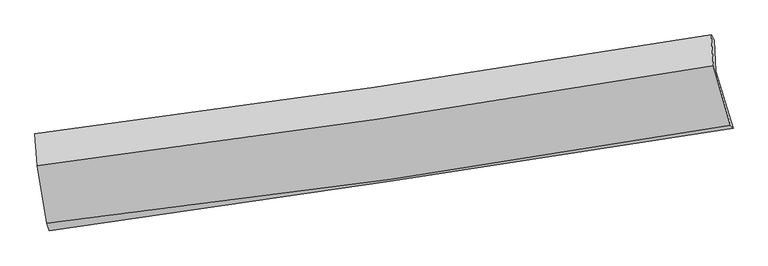
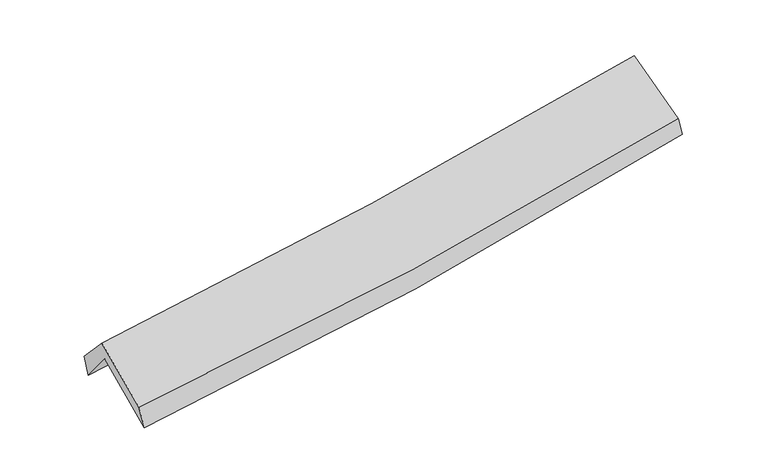
"""IFC4 building model written with IfcOpenShell, lengths in millimetres: proxy geometry."""

from ifc_helpers import new_model, si_unit, frame, origin, place, context, project, spatial, source, transform, mapped, element, save
from ifc_brep_helpers import plane_surface, spline_curve, spline_surface, advanced_brep


def generic_models_c04b226f(model_context):
    return source(origin(), model_context, "Body", "AdvancedBrep", [
        advanced_brep(
        [(-2793.7645477, -2513.5874556, 1477.1305314), (-2883.438895, -1999.693616, 1906.6779144), (2810.2501232, -1172.0068698, 2407.5810034), (2954.0887097, -1653.3367201, 1973.1504179), (-2897.8874222, -1744.9539804, 1587.7026188), (2794.6330026, -912.7918825, 2099.2187236), (-2913.4084401, -1700.3692216, 1762.2024451), (2769.891926, -868.3747841, 2239.867138), (-2895.6643309, -1969.0881679, 2054.3141785), (2788.7994424, -1128.8150965, 2521.4811398), (-2811.9212855, -2450.859648, 1657.3954564), (2931.9148247, -1626.915819, 2122.2031241)],
        [
            (0, 1),
            (1, 2, spline_curve(3, [(-2883.438895, -1999.693616, 1906.6779144), (-1928.506994492, -1862.20827952, 1945.277456029), (-975.451945498, -1724.328055416, 2006.470813443), (922.426764637, -1448.42876426, 2173.650730357), (1867.268055262, -1310.413406359, 2279.42506929), (2810.2501232, -1172.0068698, 2407.5810034)], [4, 2, 4], [0.0, 9.54735894502306, 19.049773574362504])),
            (2, 3),
            (3, 0, spline_curve(3, [(2954.0887097, -1653.3367201, 1973.1504179), (2004.623564901, -1804.269601573, 1837.910625316), (1052.040674614, -1951.263784761, 1728.991016086), (-863.88084886, -2238.051376588, 1563.401487933), (-1827.249044398, -2377.807438141, 1506.981134889), (-2793.7645477, -2513.5874556, 1477.1305314)], [4, 2, 4], [0.0, 9.502414629339444, 19.049773574362504])),
            (1, 4),
            (4, 5, spline_curve(3, [(-2897.8874222, -1744.9539804, 1587.7026188), (-1941.828659217, -1611.351193468, 1623.250725316), (-988.309351401, -1475.032956524, 1683.810560889), (909.173603848, -1197.620084757, 1854.550860664), (1853.16110443, -1056.55095574, 1964.496393637), (2794.6330026, -912.7918825, 2099.2187236)], [4, 2, 4], [0.0, 9.500054709396263, 18.95538778840978])),
            (5, 2),
            (4, 6),
            (6, 7, spline_curve(3, [(-2913.4084401, -1700.3692216, 1762.2024451), (-1959.506943177, -1577.89700288, 1815.583628533), (-1007.835691421, -1447.144957047, 1882.204688417), (886.576815407, -1169.735706689, 2041.550612798), (1829.33901917, -1023.156272986, 2134.15111753), (2769.891926, -868.3747841, 2239.867138)], [4, 2, 4], [0.0, 9.489457262413156, 18.934242782062267])),
            (7, 5),
            (6, 8),
            (8, 9, spline_curve(3, [(-2895.6643309, -1969.0881679, 2054.3141785), (-1941.436670502, -1847.860353594, 2109.419775286), (-989.505313278, -1717.035897207, 2176.022063254), (905.294375582, -1436.854733133, 2331.85237059), (1848.184276254, -1287.588166059, 2420.972403016), (2788.7994424, -1128.8150965, 2521.4811398)], [4, 2, 4], [0.0, 9.47983191155655, 18.91503739181267])),
            (9, 7),
            (8, 10),
            (10, 11, spline_curve(3, [(-2811.9212855, -2450.859648, 1657.3954564), (-1844.985047376, -2341.906420567, 1699.324478778), (-881.743324328, -2218.571976527, 1759.156487133), (1032.834010041, -1943.788952529, 1914.260536578), (1984.204324122, -1792.475453782, 2009.364417665), (2931.9148247, -1626.915819, 2122.2031241)], [4, 2, 4], [0.0, 9.527895310466839, 19.010937930561404])),
            (11, 9),
            (10, 0),
            (3, 11),
        ],
        [
            spline_surface(3, 3, [[(-2793.7645477, -2513.5874556, 1477.1305314), (-1827.249044467, -2377.807438259, 1506.981134863), (-863.880848906, -2238.051376473, 1563.401487885), (1052.04067466, -1951.263784875, 1728.991016134), (2004.623564893, -1804.269601459, 1837.910625266), (2954.0887097, -1653.3367201, 1973.1504179)], [(-2823.655996802, -2342.289509082, 1620.312992398), (-1861.001694453, -2205.941052013, 1653.079908597), (-901.07121448, -2066.810269469, 1711.091263068), (1008.836038028, -1783.652111334, 1877.210920901), (1958.83839505, -1639.650869698, 1985.082106638), (2906.142514201, -1492.893436648, 2117.960613061)], [(-2853.547445898, -2170.991562518, 1763.495453402), (-1894.754344432, -2034.074665722, 1799.178682336), (-938.261580052, -1895.569162446, 1858.781038216), (965.631401397, -1616.040437774, 2025.430825633), (1913.053225204, -1475.032137995, 2132.253588027), (2858.196318699, -1332.450153252, 2262.770808239)], [(-2883.438895, -1999.693616, 1906.6779144), (-1928.506994418, -1862.208279476, 1945.277456071), (-975.451945626, -1724.328055442, 2006.470813399), (922.426764764, -1448.428764234, 2173.6507304), (1867.268055361, -1310.413406234, 2279.4250694), (2810.2501232, -1172.0068698, 2407.5810034)]], [4, 4], [4, 2, 4], [0.0, 2.249035188880464], [0.0, 9.54735894502306, 19.049773574362504]),
            spline_surface(3, 3, [[(-2883.438895, -1999.693616, 1906.6779144), (-1928.506994418, -1862.208279476, 1945.277456071), (-975.451945626, -1724.328055442, 2006.470813399), (922.426764764, -1448.428764234, 2173.6507304), (1867.268055361, -1310.413406234, 2279.4250694), (2810.2501232, -1172.0068698, 2407.5810034)], [(-2888.25507075, -1914.780404136, 1800.352815876), (-1932.947549394, -1778.589250852, 1837.935212469), (-979.737747598, -1641.229689135, 1898.91739585), (918.009044499, -1364.825871053, 2067.284107202), (1862.56573838, -1225.792589441, 2174.448844121), (2805.044416314, -1085.601874049, 2304.793576793)], [(-2893.07124645, -1829.867192264, 1694.027717324), (-1937.388104321, -1694.970222219, 1730.592968839), (-984.02354956, -1558.131322862, 1791.363978299), (913.591324244, -1281.222977906, 1960.917484001), (1857.863421456, -1141.171772601, 2069.472618864), (2799.838709486, -999.196878251, 2202.006150207)], [(-2897.8874222, -1744.9539804, 1587.7026188), (-1941.828659297, -1611.351193595, 1623.250725238), (-988.309351532, -1475.032956555, 1683.81056075), (909.173603978, -1197.620084726, 1854.550860803), (1853.161104474, -1056.550955807, 1964.496393585), (2794.6330026, -912.7918825, 2099.2187236)]], [4, 4], [4, 2, 4], [0.0, 1.3353621960508568], [0.0, 9.500054709396263, 18.95538778840978]),
            spline_surface(3, 3, [[(-2897.8874222, -1744.9539804, 1587.7026188), (-1941.828659297, -1611.351193595, 1623.250725238), (-988.309351532, -1475.032956555, 1683.81056075), (909.173603978, -1197.620084726, 1854.550860803), (1853.161104474, -1056.550955807, 1964.496393585), (2794.6330026, -912.7918825, 2099.2187236)], [(-2903.061094824, -1730.092394132, 1645.86922757), (-1947.721420576, -1600.199796642, 1687.361693055), (-994.818131529, -1465.736956752, 1749.941936568), (901.641341135, -1188.32529204, 1916.884111487), (1845.22040938, -1045.419394902, 2021.047968277), (2786.385977071, -897.986183022, 2146.101528399)], [(-2908.234767476, -1715.230807868, 1704.03583633), (-1953.614181885, -1589.048399695, 1751.472660861), (-1001.326911495, -1456.440956911, 1816.073312463), (894.109078322, -1179.030499316, 1979.217362248), (1837.279714274, -1034.287834031, 2077.599542974), (2778.138951529, -883.180483578, 2192.984333201)], [(-2913.4084401, -1700.3692216, 1762.2024451), (-1959.506943164, -1577.897002742, 1815.583628678), (-1007.835691492, -1447.144957107, 1882.204688281), (886.576815478, -1169.73570663, 2041.550612932), (1829.339019179, -1023.156273126, 2134.151117667), (2769.891926, -868.3747841, 2239.867138)]], [4, 4], [4, 2, 4], [0.0, 0.64260361140235], [0.0, 9.489457262413156, 18.934242782062267]),
            spline_surface(3, 3, [[(-2913.4084401, -1700.3692216, 1762.2024451), (-1959.506943164, -1577.897002742, 1815.583628678), (-1007.835691492, -1447.144957107, 1882.204688281), (886.576815478, -1169.73570663, 2041.550612932), (1829.339019179, -1023.156273126, 2134.151117667), (2769.891926, -868.3747841, 2239.867138)], [(-2907.493737041, -1789.942203704, 1859.573022883), (-1953.483518946, -1667.884786378, 1913.529010821), (-1001.725565409, -1537.10860375, 1980.143813289), (892.816002206, -1258.775382172, 2138.31786549), (1835.620771512, -1111.300237449, 2229.758212742), (2776.194431467, -955.188221571, 2333.73847193)], [(-2901.579033959, -1879.515185796, 1956.943600717), (-1947.460094704, -1757.872570001, 2011.474393014), (-995.615439384, -1627.072250417, 2078.082938263), (899.055188877, -1347.815057737, 2235.085118014), (1841.902523845, -1199.44420176, 2325.365307827), (2782.496936933, -1042.001659029, 2427.60980587)], [(-2895.6643309, -1969.0881679, 2054.3141785), (-1941.436670486, -1847.860353637, 2109.419775157), (-989.505313301, -1717.03589706, 2176.022063271), (905.294375604, -1436.854733279, 2331.852370572), (1848.184276177, -1287.588166083, 2420.972402902), (2788.7994424, -1128.8150965, 2521.4811398)]], [4, 4], [4, 2, 4], [0.0, 1.3030558867222175], [0.0, 9.47983191155655, 18.91503739181267]),
            spline_surface(3, 3, [[(-2895.6643309, -1969.0881679, 2054.3141785), (-1941.436670486, -1847.860353637, 2109.419775157), (-989.505313301, -1717.03589706, 2176.022063271), (905.294375604, -1436.854733279, 2331.852370572), (1848.184276177, -1287.588166083, 2420.972402902), (2788.7994424, -1128.8150965, 2521.4811398)], [(-2867.749982409, -2129.678661251, 1922.007937813), (-1909.28612943, -2012.542375957, 1972.721343069), (-953.584650352, -1884.214590183, 2037.066871214), (947.807587129, -1605.832806383, 2192.6550926), (1893.524292125, -1455.883928654, 2283.769741163), (2836.504569837, -1294.84867066, 2388.388467907)], [(-2839.835633991, -2290.269154649, 1789.701697087), (-1877.135588448, -2177.224398322, 1836.022910942), (-917.663987409, -2051.393283323, 1898.111679135), (990.320798649, -1774.810879505, 2053.457814605), (1938.86430806, -1624.179691245, 2146.567079403), (2884.209697263, -1460.88224484, 2255.295795993)], [(-2811.9212855, -2450.859648, 1657.3954564), (-1844.985047392, -2341.906420642, 1699.324478853), (-881.743324461, -2218.571976446, 1759.156487078), (1032.834010173, -1943.788952609, 1914.260536632), (1984.204324008, -1792.475453816, 2009.364417663), (2931.9148247, -1626.915819, 2122.2031241)]], [4, 4], [4, 2, 4], [0.0, 2.1815714559476707], [0.0, 9.527895310466839, 19.010937930561404]),
            spline_surface(3, 3, [[(-2811.9212855, -2450.859648, 1657.3954564), (-1844.985047392, -2341.906420642, 1699.324478853), (-881.743324461, -2218.571976446, 1759.156487078), (1032.834010173, -1943.788952609, 1914.260536632), (1984.204324008, -1792.475453816, 2009.364417663), (2931.9148247, -1626.915819, 2122.2031241)], [(-2805.869039575, -2471.768917194, 1597.30714806), (-1839.073046426, -2353.873426508, 1635.210030849), (-875.78916595, -2225.065109794, 1693.904820675), (1039.236231662, -1946.28056337, 1852.504029794), (1991.010737647, -1796.406836381, 1952.213153541), (2939.30611971, -1635.72278605, 2072.518888711)], [(-2799.816793625, -2492.678186406, 1537.21883974), (-1833.161045434, -2365.840432392, 1571.095582867), (-869.835007417, -2231.558243125, 1628.653154288), (1045.638453172, -1948.772174114, 1790.747522972), (1997.817151255, -1800.338218894, 1895.061889387), (2946.69741469, -1644.52975305, 2022.834653289)], [(-2793.7645477, -2513.5874556, 1477.1305314), (-1827.249044467, -2377.807438259, 1506.981134863), (-863.880848906, -2238.051376473, 1563.401487885), (1052.04067466, -1951.263784875, 1728.991016134), (2004.623564893, -1804.269601459, 1837.910625266), (2954.0887097, -1653.3367201, 1973.1504179)]], [4, 4], [4, 2, 4], [0.0, 0.6296316204037629], [0.0, 9.584896948110064, 19.1246728699016]),
            plane_surface(frame((2841.5963381, -1227.0401953, 2227.2502578), z_axis=(0.9752570776265009, 0.19106113565164592, 0.11121724229147413), x_axis=(0.21875587442145236, -0.7613609196678378, -0.6103076416108928))),
            plane_surface(frame((-2866.0141536, -2063.0920149, 1740.9038574), z_axis=(-0.9904389182671781, -0.1261327639406511, -0.055868372469889314), x_axis=(-0.09470016390704875, 0.32716965643343365, 0.9402084316071662))),
        ],
        [
            (0, [[1, 2, 3, 4]]),
            (1, [[5, 6, 7, -2]]),
            (2, [[8, 9, 10, -6]]),
            (3, [[11, 12, 13, -9]]),
            (4, [[14, 15, 16, -12]]),
            (5, [[17, -4, 18, -15]]),
            (6, [[-16, -18, -3, -7, -10, -13]]),
            (7, [[-17, -14, -11, -8, -5, -1]]),
        ],
    ),
    ])


if __name__ == "__main__":
    model = new_model("IFC4")
    model_context = context("Model", 3, world=origin())
    ifc_project = project(units=[si_unit("LENGTHUNIT", "METRE", prefix="MILLI")], contexts=[model_context])
    site = spatial("IfcSite", under=ifc_project)
    building = spatial("IfcBuilding", under=site)
    placement = place(None, origin())
    generic_models_shape = generic_models_c04b226f(model_context)
    element("IfcBuildingElementProxy", 1, Name="Generic Models", at=placement, inside=building, context=model_context, shape_type="MappedRepresentation", body=[
        mapped(generic_models_shape, transform((0.0, 0.0, 0.0), x_axis=(1.0, 0.0, 0.0), y_axis=(0.0, 1.0, 0.0), z_axis=(0.0, 0.0, 1.0))),
    ])
    save(model, "model.ifc")
